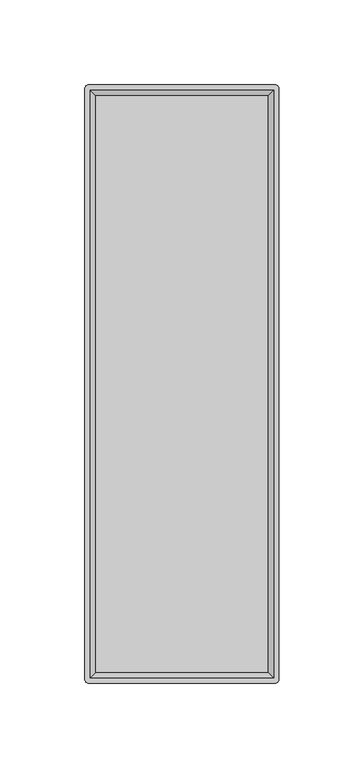
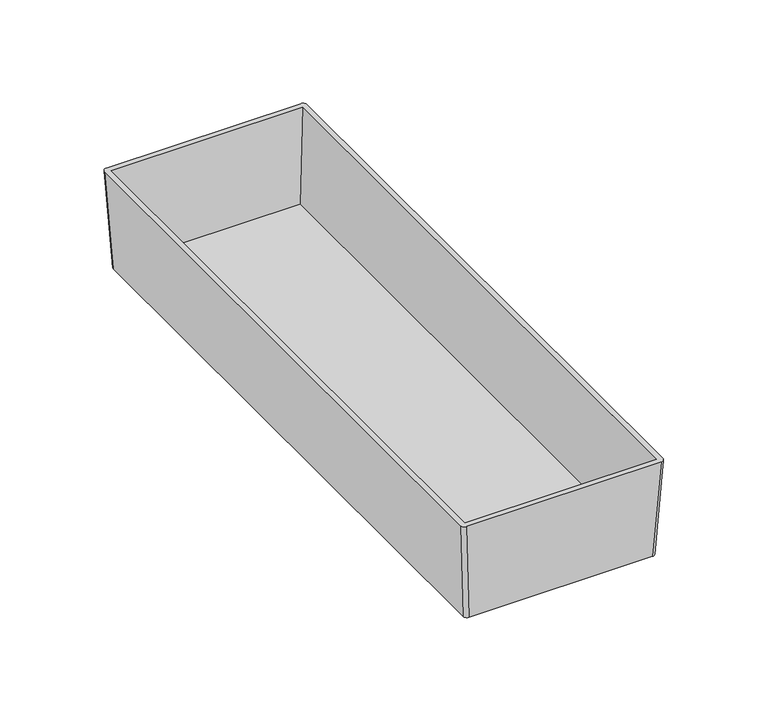
"""IFC4 building model written with IfcOpenShell, lengths in millimetres: furniture geometry."""

from ifc_helpers import new_model, si_unit, point, frame, origin, place, context, project, spatial, circle_curve, trimmed, source, transform, mapped, element, save
from ifc_brep_helpers import plane_surface, extruded_surface, advanced_brep


def furniture_20a85c26(model_context):
    return source(origin(), model_context, "Body", "AdvancedBrep", [
        advanced_brep(
        [(51.7525, 173.0375, 541.25876), (53.975, 170.815, 541.25876), (53.975, -170.815, 541.25876), (51.7525, -173.0375, 541.25876), (-51.7525, -173.0375, 541.25876), (-53.975, -170.815, 541.25876), (-53.975, 170.815, 541.25876), (-51.7525, 173.0375, 541.25876), (54.9275, 176.2125, 598.40876), (-54.9275, 176.2125, 598.40876), (-57.15, 173.99, 598.40876), (-57.15, -173.99, 598.40876), (-54.9275, -176.2125, 598.40876), (54.9275, -176.2125, 598.40876), (57.15, -173.99, 598.40876), (57.15, 173.99, 598.40876), (-53.975, 173.0375, 598.40876), (53.975, 173.0375, 598.40876), (53.975, -173.0375, 598.40876), (-53.975, -173.0375, 598.40876), (50.8, 169.8625, 543.79876), (-50.8, 169.8625, 543.79876), (-50.8, -169.8625, 543.79876), (50.8, -169.8625, 543.79876)],
        [
            (0, 1, circle_curve(frame((51.7525, 170.815, 541.25876), z_axis=(0.0, 0.0, -1.0), x_axis=(-1.0, 0.0, 0.0)), 2.2225)),
            (1, 2),
            (2, 3, circle_curve(frame((51.7525, -170.815, 541.25876), z_axis=(0.0, 0.0, -1.0), x_axis=(-1.0, 0.0, 0.0)), 2.2225)),
            (3, 4),
            (4, 5, circle_curve(frame((-51.7525, -170.815, 541.25876), z_axis=(0.0, 0.0, -1.0), x_axis=(-1.0, 0.0, 0.0)), 2.2225)),
            (5, 6),
            (6, 7, circle_curve(frame((-51.7525, 170.815, 541.25876), z_axis=(0.0, 0.0, -1.0), x_axis=(-1.0, 0.0, 0.0)), 2.2225)),
            (7, 0),
            (8, 9),
            (9, 10, circle_curve(frame((-54.9275, 173.99, 598.40876), z_axis=(0.0, 0.0, 1.0), x_axis=(-1.0, 0.0, 0.0)), 2.2225)),
            (10, 11),
            (11, 12, circle_curve(frame((-54.9275, -173.99, 598.40876), z_axis=(0.0, 0.0, 1.0), x_axis=(-1.0, 0.0, 0.0)), 2.2225)),
            (12, 13),
            (13, 14, circle_curve(frame((54.9275, -173.99, 598.40876), z_axis=(0.0, 0.0, 1.0), x_axis=(-1.0, 0.0, 0.0)), 2.2225)),
            (14, 15),
            (15, 8, circle_curve(frame((54.9275, 173.99, 598.40876), z_axis=(0.0, 0.0, 1.0), x_axis=(-1.0, 0.0, 0.0)), 2.2225)),
            (16, 17),
            (17, 18),
            (18, 19),
            (19, 16),
            (7, 9),
            (8, 0),
            (6, 10),
            (5, 11),
            (4, 12),
            (3, 13),
            (2, 14),
            (1, 15),
            (20, 21),
            (21, 22),
            (22, 23),
            (23, 20),
            (20, 17),
            (16, 21),
            (19, 22),
            (18, 23),
        ],
        [
            plane_surface(frame((0.0, 0.0, 541.25876), z_axis=(0.0, 0.0, -1.0), x_axis=(-1.0, 0.0, 0.0))),
            plane_surface(frame((0.0, 0.0, 598.40876), z_axis=(0.0, 0.0, 1.0), x_axis=(-1.0, 0.0, 0.0))),
            plane_surface(frame((0.0, 176.2125, 598.40876), z_axis=(0.0, 0.9984603532054104, -0.05547001962256064), x_axis=(1.0, 0.0, 0.0))),
            extruded_surface(trimmed(circle_curve(frame((-54.9275, 173.99, 598.40876), z_axis=(0.0, 0.0, -1.0), x_axis=(-1.0, 0.0, 0.0)), 2.2225), [point((-57.15, 173.99, 598.40876))], [point((-54.9275, 176.2125, 598.40876))], True, "CARTESIAN"), (3.1750000000000043, -3.1750000000000114, -57.14999999999998), 57.326117520725205),
            plane_surface(frame((-57.15, 0.0, 598.40876), z_axis=(-0.998460353205411, 0.0, -0.05547001962254796), x_axis=(0.0, 1.0, 0.0))),
            extruded_surface(trimmed(circle_curve(frame((-54.9275, -173.99, 598.40876), z_axis=(0.0, 0.0, -1.0), x_axis=(-1.0, 0.0, 0.0)), 2.2225), [point((-54.9275, -176.2125, 598.40876))], [point((-57.15, -173.99, 598.40876))], True, "CARTESIAN"), (3.1750000000000043, 3.1750000000000114, -57.14999999999998), 57.326117520725205),
            plane_surface(frame((0.0, -176.2125, 598.40876), z_axis=(0.0, -0.9984603532055267, -0.05547001962046713), x_axis=(-1.0, 0.0, 0.0))),
            extruded_surface(trimmed(circle_curve(frame((54.9275, -173.99, 598.40876), z_axis=(0.0, 0.0, -1.0), x_axis=(-1.0, 0.0, 0.0)), 2.2225), [point((57.15, -173.99, 598.40876))], [point((54.9275, -176.2125, 598.40876))], True, "CARTESIAN"), (-3.1750000000000043, 3.1750000000000114, -57.14999999999998), 57.326117520725205),
            plane_surface(frame((57.15, 0.0, 598.40876), z_axis=(0.998460353205429, 0.0, -0.055470019622225274), x_axis=(0.0, -1.0, 0.0))),
            extruded_surface(trimmed(circle_curve(frame((54.9275, 173.99, 598.40876), z_axis=(0.0, 0.0, -1.0), x_axis=(-1.0, 0.0, 0.0)), 2.2225), [point((54.9275, 176.2125, 598.40876))], [point((57.15, 173.99, 598.40876))], True, "CARTESIAN"), (-3.1750000000000043, -3.1750000000000114, -57.14999999999998), 57.326117520725205),
            plane_surface(frame((0.0, 0.0, 543.79876), z_axis=(0.0, 0.0, 1.0), x_axis=(-1.0, 0.0, 0.0))),
            plane_surface(frame((0.0, 173.0375, 598.40876), z_axis=(0.0, -0.9983141698791151, 0.05804152150463695), x_axis=(1.0, 0.0, 0.0))),
            plane_surface(frame((-53.975, 0.0, 598.40876), z_axis=(0.9983141698791161, 0.0, 0.05804152150461961), x_axis=(0.0, 1.0, 0.0))),
            plane_surface(frame((0.0, -173.0375, 598.40876), z_axis=(0.0, 0.9983141698789251, 0.0580415215079058), x_axis=(-1.0, 0.0, 0.0))),
            plane_surface(frame((53.975, 0.0, 598.40876), z_axis=(-0.998314169879097, 0.0, 0.05804152150494822), x_axis=(0.0, -1.0, 0.0))),
        ],
        [
            (0, [[1, 2, 3, 4, 5, 6, 7, 8]]),
            (1, [[9, 10, 11, 12, 13, 14, 15, 16], [17, 18, 19, 20]]),
            (2, [[-8, 21, -9, 22]]),
            (3, [[-7, 23, -10, -21]]),
            (4, [[-6, 24, -11, -23]]),
            (5, [[-5, 25, -12, -24]]),
            (6, [[-4, 26, -13, -25]]),
            (7, [[-3, 27, -14, -26]]),
            (8, [[-2, 28, -15, -27]]),
            (9, [[-1, -22, -16, -28]]),
            (10, [[29, 30, 31, 32]]),
            (11, [[-29, 33, -17, 34]]),
            (12, [[-30, -34, -20, 35]]),
            (13, [[-31, -35, -19, 36]]),
            (14, [[-32, -36, -18, -33]]),
        ],
    ),
    ])


if __name__ == "__main__":
    model = new_model("IFC4")
    model_context = context("Model", 3, world=origin())
    ifc_project = project(units=[si_unit("LENGTHUNIT", "METRE", prefix="MILLI")], contexts=[model_context])
    site = spatial("IfcSite", under=ifc_project)
    building = spatial("IfcBuilding", under=site)
    placement = place(None, origin())
    furniture_shape = furniture_20a85c26(model_context)
    element("IfcFurniture", 1, at=placement, inside=building, context=model_context, shape_type="MappedRepresentation", body=[
        mapped(furniture_shape, transform((0.0, 0.0, 0.0), x_axis=(1.0, 0.0, 0.0), y_axis=(0.0, 1.0, 0.0), z_axis=(0.0, 0.0, 1.0))),
    ])
    save(model, "model.ifc")
